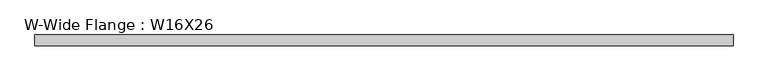
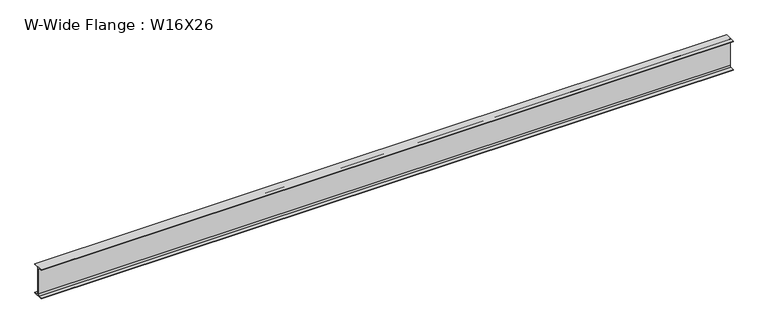
"""IFC4 building model written with IfcOpenShell, lengths in millimetres: beam geometry, W-Wide Flange : W16X26."""

from ifc_helpers import new_model, si_unit, point, frame, frame_2d, origin, place, context, project, spatial, polyline, circle_curve, trimmed, segment, composite_curve, outline, extrude, source, transform, mapped, element, save


def w_wide_flange_w16x26_9fbc7a7e(model_context):
    return source(origin(), model_context, "Body", "SweptSolid", [
        extrude(outline(composite_curve([segment(polyline([(69.85, -190.5496094), (69.85, -199.2808594), (-69.85, -199.2808594), (-69.85, -190.5496094), (-21.43125, -190.5496094)]), True, "CONTINUOUS"), segment(trimmed(circle_curve(frame_2d((-21.43125, -172.2933594)), 18.25625), [point((-21.43125, -190.5496094))], [point((-3.175, -172.2933594))], True, "CARTESIAN"), True, "CONTINUOUS"), segment(polyline([(-3.175, -172.2933594), (-3.175, 172.2933594)]), True, "CONTINUOUS"), segment(trimmed(circle_curve(frame_2d((-21.43125, 172.2933594)), 18.25625), [point((-3.175, 172.2933594))], [point((-21.43125, 190.5496094))], True, "CARTESIAN"), True, "CONTINUOUS"), segment(polyline([(-21.43125, 190.5496094), (-69.85, 190.5496094), (-69.85, 199.2808594), (69.85, 199.2808594), (69.85, 190.5496094), (21.43125, 190.5496094)]), True, "CONTINUOUS"), segment(trimmed(circle_curve(frame_2d((21.43125, 172.2933594)), 18.25625), [point((21.43125, 190.5496094))], [point((3.175, 172.2933594))], True, "CARTESIAN"), True, "CONTINUOUS"), segment(polyline([(3.175, 172.2933594), (3.175, -172.2933594)]), True, "CONTINUOUS"), segment(trimmed(circle_curve(frame_2d((21.43125, -172.2933594)), 18.25625), [point((3.175, -172.2933594))], [point((21.43125, -190.5496094))], True, "CARTESIAN"), True, "CONTINUOUS"), segment(polyline([(21.43125, -190.5496094), (69.85, -190.5496094)]), True, "CONTINUOUS")], self_intersect=False)), frame((-4476.75, 0.0, 0.0), z_axis=(1.0, 0.0, 0.0), x_axis=(0.0, 1.0, 0.0)), (0.0, 0.0, 1.0), 8953.103125),
    ])


if __name__ == "__main__":
    model = new_model("IFC4")
    model_context = context("Model", 3, world=origin())
    ifc_project = project(units=[si_unit("LENGTHUNIT", "METRE", prefix="MILLI")], contexts=[model_context])
    site = spatial("IfcSite", under=ifc_project)
    building = spatial("IfcBuilding", under=site)
    placement = place(None, origin())
    w_wide_flange_w16x26_shape = w_wide_flange_w16x26_9fbc7a7e(model_context)
    element("IfcBeam", 1, ObjectType="W-Wide Flange : W16X26", at=placement, inside=building, context=model_context, shape_type="MappedRepresentation", body=[
        mapped(w_wide_flange_w16x26_shape, transform((0.0, 0.0, 0.0), x_axis=(1.0, 0.0, 0.0), y_axis=(0.0, 1.0, 0.0), z_axis=(0.0, 0.0, 1.0))),
    ])
    save(model, "model.ifc")
